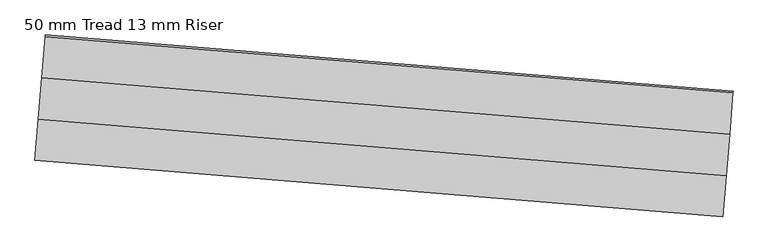
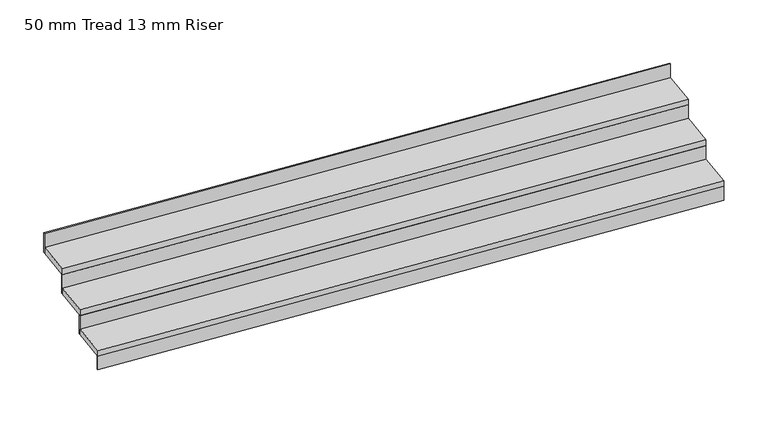
"""IFC4 building model written with IfcOpenShell, lengths in millimetres: stair flight geometry, 50 mm Tread 13 mm Riser."""

from ifc_helpers import new_model, si_unit, frame, origin, origin_with_axes, place, context, project, spatial, polyline, outline, extrude, source, transform, mapped, element, save


def stair_flight_50_mm_tread_13_mm_riser_bc8c3f21(model_context):
    return source(origin(), model_context, "Body", "SweptSolid", [
        extrude(outline(polyline([(-257587.8482456, 3415.5994875), (-257588.8690386, 3403.141238), (-262571.823178, 3811.4301262), (-262570.802385, 3823.8883758), (-257587.8482456, 3415.5994875)])), origin_with_axes(), (0.0, 0.0, 1.0), 120.0),
        extrude(outline(polyline([(-262547.3241453, 4110.4281152), (-257564.3700059, 3702.1392269), (-257588.8690386, 3403.141238), (-262571.823178, 3811.4301262), (-262547.3241453, 4110.4281152)])), frame((0.0, 0.0, 120.0), z_axis=(0.0, 0.0, 1.0), x_axis=(1.0, 0.0, 0.0)), (0.0, 0.0, 1.0), 50.0),
        extrude(outline(polyline([(-257563.3492129, 3714.5974765), (-257564.3700059, 3702.1392269), (-262547.3241453, 4110.4281152), (-262546.3033523, 4122.8863647), (-257563.3492129, 3714.5974765)])), frame((0.0, 0.0, 120.0), z_axis=(0.0, 0.0, 1.0), x_axis=(1.0, 0.0, 0.0)), (0.0, 0.0, 1.0), 170.0),
        extrude(outline(polyline([(-262522.8251126, 4409.4261041), (-257539.8709732, 4001.1372159), (-257564.3700059, 3702.1392269), (-262547.3241453, 4110.4281152), (-262522.8251126, 4409.4261041)])), frame((0.0, 0.0, 290.0), z_axis=(0.0, 0.0, 1.0), x_axis=(1.0, 0.0, 0.0)), (0.0, 0.0, 1.0), 50.0),
        extrude(outline(polyline([(-257538.8501801, 4013.5954654), (-257539.8709732, 4001.1372159), (-262522.8251126, 4409.4261041), (-262521.8043196, 4421.8843537), (-257538.8501801, 4013.5954654)])), frame((0.0, 0.0, 290.0), z_axis=(0.0, 0.0, 1.0), x_axis=(1.0, 0.0, 0.0)), (0.0, 0.0, 1.0), 170.0),
        extrude(outline(polyline([(-257514.3511474, 4312.5934544), (-257515.3719405, 4300.1352049), (-262498.3260799, 4708.4240931), (-262497.3052868, 4720.8823426), (-257514.3511474, 4312.5934544)])), frame((0.0, 0.0, 460.0), z_axis=(0.0, 0.0, 1.0), x_axis=(1.0, 0.0, 0.0)), (0.0, 0.0, 1.0), 170.0),
        extrude(outline(polyline([(-262498.3260799, 4708.4240931), (-257515.3719405, 4300.1352049), (-257539.8709732, 4001.1372159), (-262522.8251126, 4409.4261041), (-262498.3260799, 4708.4240931)])), frame((0.0, 0.0, 460.0), z_axis=(0.0, 0.0, 1.0), x_axis=(1.0, 0.0, 0.0)), (0.0, 0.0, 1.0), 50.0),
    ])


if __name__ == "__main__":
    model = new_model("IFC4")
    model_context = context("Model", 3, world=origin())
    ifc_project = project(units=[si_unit("LENGTHUNIT", "METRE", prefix="MILLI")], contexts=[model_context])
    site = spatial("IfcSite", under=ifc_project)
    building = spatial("IfcBuilding", under=site)
    placement = place(None, origin())
    stair_flight_50_mm_tread_13_mm_riser_shape = stair_flight_50_mm_tread_13_mm_riser_bc8c3f21(model_context)
    element("IfcStairFlight", 1, ObjectType="50 mm Tread 13 mm Riser", at=placement, inside=building, context=model_context, shape_type="MappedRepresentation", body=[
        mapped(stair_flight_50_mm_tread_13_mm_riser_shape, transform((0.0, 0.0, 0.0), x_axis=(1.0, 0.0, 0.0), y_axis=(0.0, 1.0, 0.0), z_axis=(0.0, 0.0, 1.0))),
    ])
    save(model, "model.ifc")
